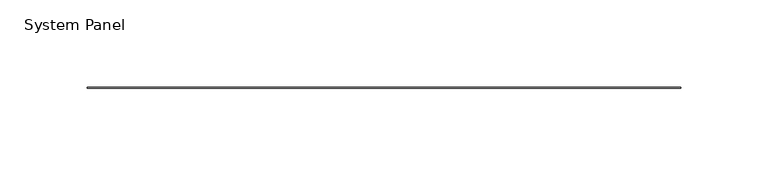
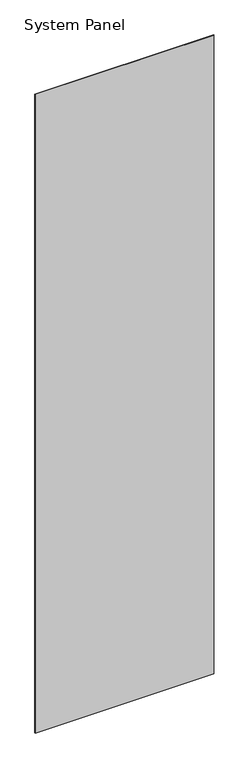
"""IFC4 building model written with IfcOpenShell, lengths in millimetres: plate geometry, System Panel."""

from ifc_helpers import new_model, si_unit, origin, origin_with_axes, place, context, project, spatial, polyline, outline, extrude, source, transform, mapped, element, save


def system_panel_004449d1(model_context):
    return source(origin(), model_context, "Body", "SweptSolid", [
        extrude(outline(polyline([(170.1165, -0.2976563), (-170.1165, -0.2976563), (-170.1165, 0.2976563), (170.1165, 0.2976563), (170.1165, -0.2976563)])), origin_with_axes(), (0.0, 0.0, 1.0), 1285.875),
    ])


if __name__ == "__main__":
    model = new_model("IFC4")
    model_context = context("Model", 3, world=origin())
    ifc_project = project(units=[si_unit("LENGTHUNIT", "METRE", prefix="MILLI")], contexts=[model_context])
    site = spatial("IfcSite", under=ifc_project)
    building = spatial("IfcBuilding", under=site)
    placement = place(None, origin())
    system_panel_shape = system_panel_004449d1(model_context)
    element("IfcPlate", 1, ObjectType="System Panel", at=placement, inside=building, context=model_context, shape_type="MappedRepresentation", body=[
        mapped(system_panel_shape, transform((0.0, 0.0, 0.0), x_axis=(1.0, 0.0, 0.0), y_axis=(0.0, 1.0, 0.0), z_axis=(0.0, 0.0, 1.0))),
    ])
    save(model, "model.ifc")
